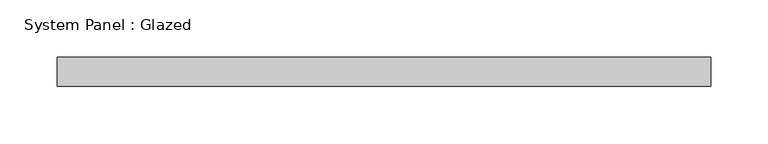
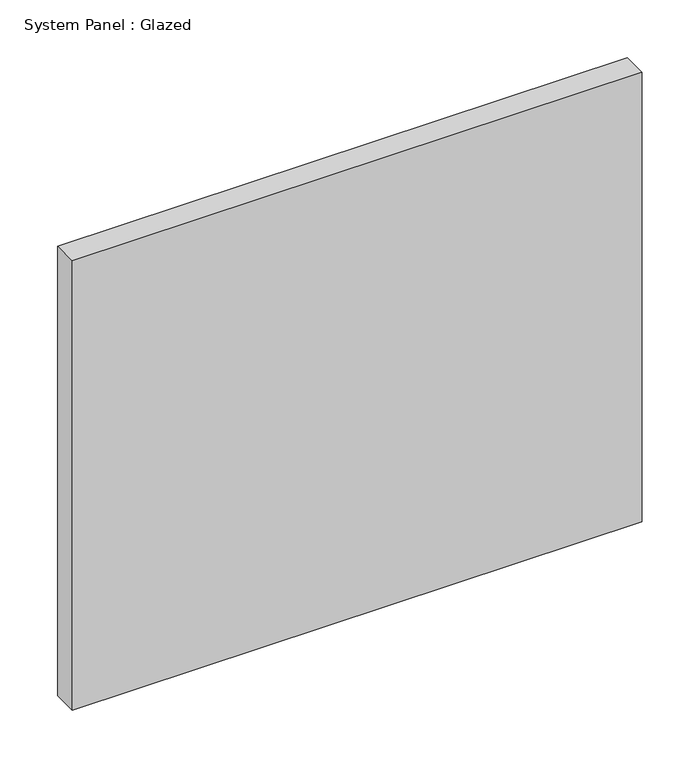
"""IFC4 building model written with IfcOpenShell, lengths in millimetres: plate geometry, System Panel : Glazed."""

from ifc_helpers import new_model, si_unit, origin, origin_with_axes, place, context, project, spatial, polyline, outline, extrude, source, transform, mapped, element, save


def system_panel_glazed_d1b992c2(model_context):
    return source(origin(), model_context, "Body", "SweptSolid", [
        extrude(outline(polyline([(285.75, -12.7), (-285.75, -12.7), (-285.75, 12.7), (285.75, 12.7), (285.75, -12.7)])), origin_with_axes(), (0.0, 0.0, 1.0), 476.25),
    ])


if __name__ == "__main__":
    model = new_model("IFC4")
    model_context = context("Model", 3, world=origin())
    ifc_project = project(units=[si_unit("LENGTHUNIT", "METRE", prefix="MILLI")], contexts=[model_context])
    site = spatial("IfcSite", under=ifc_project)
    building = spatial("IfcBuilding", under=site)
    placement = place(None, origin())
    system_panel_glazed_shape = system_panel_glazed_d1b992c2(model_context)
    element("IfcPlate", 1, ObjectType="System Panel : Glazed", at=placement, inside=building, context=model_context, shape_type="MappedRepresentation", body=[
        mapped(system_panel_glazed_shape, transform((0.0, 0.0, 0.0), x_axis=(1.0, 0.0, 0.0), y_axis=(0.0, 1.0, 0.0), z_axis=(0.0, 0.0, 1.0))),
    ])
    save(model, "model.ifc")
